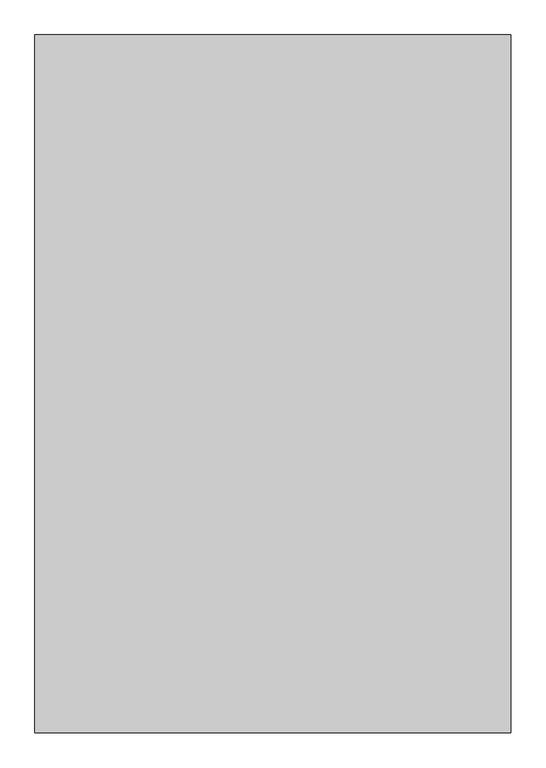
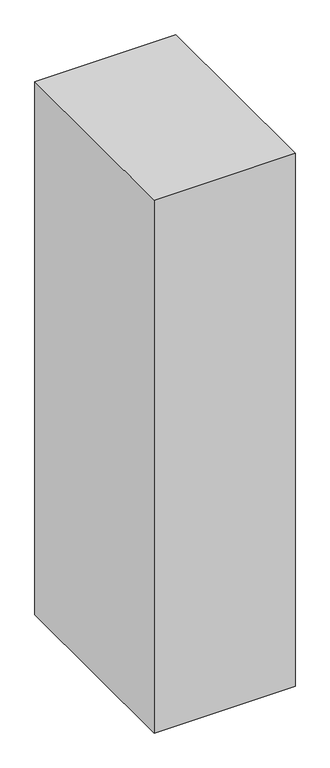
"""IFC4 building model written with IfcOpenShell, lengths in millimetres: proxy geometry."""

from ifc_helpers import new_model, si_unit, frame, origin, place, context, project, spatial, polyline, outline, extrude, source, transform, mapped, element, save


def generic_models_1debe993(model_context):
    return source(origin(), model_context, "Body", "SweptSolid", [
        extrude(outline(polyline([(1500.0, 1790.3998032), (1500.0, -409.6001968), (0.0, -409.6001968), (0.0, 1790.3998032), (1500.0, 1790.3998032)])), frame((0.0, 0.0, 1500.0), z_axis=(0.0, 0.0, 1.0), x_axis=(1.0, 0.0, 0.0)), (0.0, 0.0, 1.0), 6000.0),
    ])


if __name__ == "__main__":
    model = new_model("IFC4")
    model_context = context("Model", 3, world=origin())
    ifc_project = project(units=[si_unit("LENGTHUNIT", "METRE", prefix="MILLI")], contexts=[model_context])
    site = spatial("IfcSite", under=ifc_project)
    building = spatial("IfcBuilding", under=site)
    placement = place(None, origin())
    generic_models_shape = generic_models_1debe993(model_context)
    element("IfcBuildingElementProxy", 1, Name="Generic Models", at=placement, inside=building, context=model_context, shape_type="MappedRepresentation", body=[
        mapped(generic_models_shape, transform((0.0, 0.0, 0.0), x_axis=(1.0, 0.0, 0.0), y_axis=(0.0, 1.0, 0.0), z_axis=(0.0, 0.0, 1.0))),
    ])
    save(model, "model.ifc")
